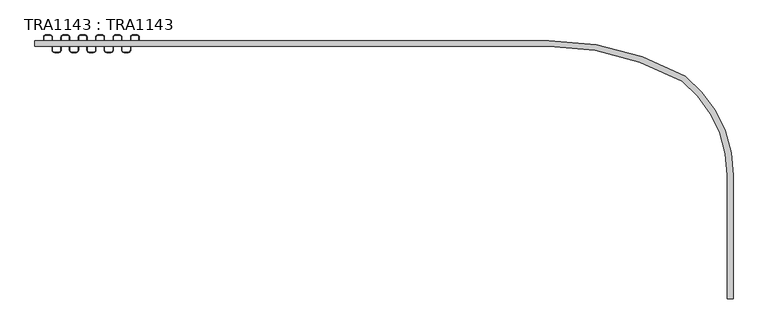
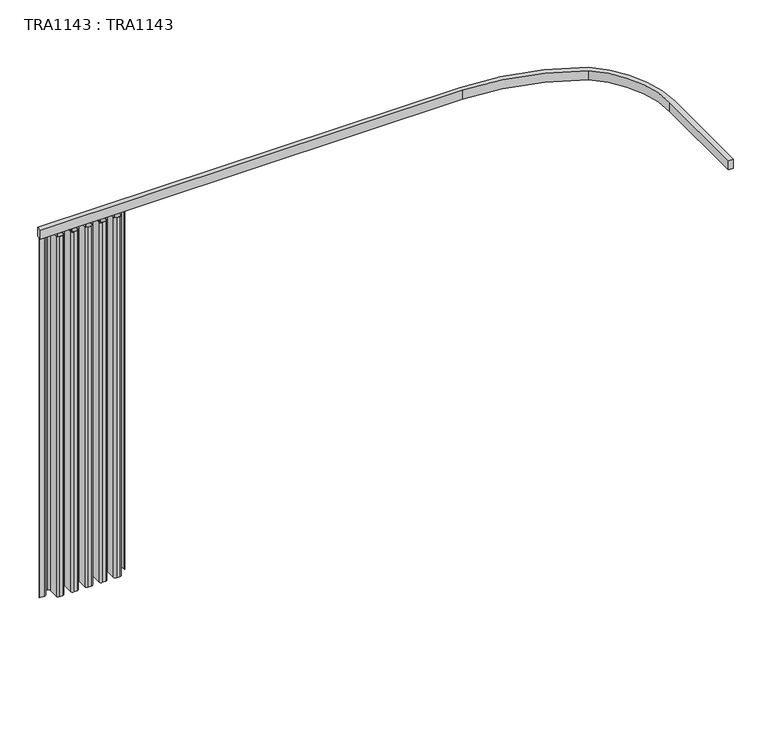
"""IFC4 building model written with IfcOpenShell, lengths in millimetres: proxy geometry, TRA1143 : TRA1143."""

from ifc_helpers import new_model, si_unit, point, frame, frame_2d, origin, place, context, project, spatial, polyline, circle_curve, trimmed, segment, composite_curve, outline, extrude, source, transform, mapped, element, save


def tra1143_tra1143_a0fe28ab(model_context):
    return source(origin(), model_context, "Body", "SweptSolid", [
        extrude(outline(composite_curve([segment(trimmed(circle_curve(frame_2d((27.5, 10.0)), 10.0), [point((27.5, 0.0))], [point((37.5, 10.0))], True, "CARTESIAN"), True, "CONTINUOUS"), segment(polyline([(37.5, 10.0), (37.5, 27.5)]), True, "CONTINUOUS"), segment(trimmed(circle_curve(frame_2d((47.5, 27.5)), 10.0), [point((37.5, 27.5))], [point((47.5, 37.5))], False, "CARTESIAN"), True, "CONTINUOUS"), segment(polyline([(47.5, 37.5), (65.0, 37.5)]), True, "CONTINUOUS"), segment(trimmed(circle_curve(frame_2d((65.0, 27.5)), 10.0), [point((65.0, 37.5))], [point((75.0, 27.5))], False, "CARTESIAN"), True, "CONTINUOUS"), segment(polyline([(75.0, 27.5), (75.0, -27.5)]), True, "CONTINUOUS"), segment(trimmed(circle_curve(frame_2d((85.0, -27.5)), 10.0), [point((75.0, -27.5))], [point((85.0, -37.5))], True, "CARTESIAN"), True, "CONTINUOUS"), segment(polyline([(85.0, -37.5), (102.5, -37.5)]), True, "CONTINUOUS"), segment(trimmed(circle_curve(frame_2d((102.5, -27.5)), 10.0), [point((102.5, -37.5))], [point((112.5, -27.5))], True, "CARTESIAN"), True, "CONTINUOUS"), segment(polyline([(112.5, -27.5), (112.5, 27.5)]), True, "CONTINUOUS"), segment(trimmed(circle_curve(frame_2d((122.5, 27.5)), 10.0), [point((112.5, 27.5))], [point((122.5, 37.5))], False, "CARTESIAN"), True, "CONTINUOUS"), segment(polyline([(122.5, 37.5), (140.0, 37.5)]), True, "CONTINUOUS"), segment(trimmed(circle_curve(frame_2d((140.0, 27.5)), 10.0), [point((140.0, 37.5))], [point((150.0, 27.5))], False, "CARTESIAN"), True, "CONTINUOUS"), segment(polyline([(150.0, 27.5), (150.0, -27.5)]), True, "CONTINUOUS"), segment(trimmed(circle_curve(frame_2d((160.0, -27.5)), 10.0), [point((150.0, -27.5))], [point((160.0, -37.5))], True, "CARTESIAN"), True, "CONTINUOUS"), segment(polyline([(160.0, -37.5), (177.5, -37.5)]), True, "CONTINUOUS"), segment(trimmed(circle_curve(frame_2d((177.5, -27.5)), 10.0), [point((177.5, -37.5))], [point((187.5, -27.5))], True, "CARTESIAN"), True, "CONTINUOUS"), segment(polyline([(187.5, -27.5), (187.5, 27.5)]), True, "CONTINUOUS"), segment(trimmed(circle_curve(frame_2d((197.5, 27.5)), 10.0), [point((187.5, 27.5))], [point((197.5, 37.5))], False, "CARTESIAN"), True, "CONTINUOUS"), segment(polyline([(197.5, 37.5), (215.0, 37.5)]), True, "CONTINUOUS"), segment(trimmed(circle_curve(frame_2d((215.0, 27.5)), 10.0), [point((215.0, 37.5))], [point((225.0, 27.5))], False, "CARTESIAN"), True, "CONTINUOUS"), segment(polyline([(225.0, 27.5), (225.0, -27.5)]), True, "CONTINUOUS"), segment(trimmed(circle_curve(frame_2d((235.0, -27.5)), 10.0), [point((225.0, -27.5))], [point((235.0, -37.5))], True, "CARTESIAN"), True, "CONTINUOUS"), segment(polyline([(235.0, -37.5), (252.5, -37.5)]), True, "CONTINUOUS"), segment(trimmed(circle_curve(frame_2d((252.5, -27.5)), 10.0), [point((252.5, -37.5))], [point((262.5, -27.5))], True, "CARTESIAN"), True, "CONTINUOUS"), segment(polyline([(262.5, -27.5), (262.5, 27.5)]), True, "CONTINUOUS"), segment(trimmed(circle_curve(frame_2d((272.5, 27.5)), 10.0), [point((262.5, 27.5))], [point((272.5, 37.5))], False, "CARTESIAN"), True, "CONTINUOUS"), segment(polyline([(272.5, 37.5), (290.0, 37.5)]), True, "CONTINUOUS"), segment(trimmed(circle_curve(frame_2d((290.0, 27.5)), 10.0), [point((290.0, 37.5))], [point((300.0, 27.5))], False, "CARTESIAN"), True, "CONTINUOUS"), segment(polyline([(300.0, 27.5), (300.0, -27.5)]), True, "CONTINUOUS"), segment(trimmed(circle_curve(frame_2d((310.0, -27.5)), 10.0), [point((300.0, -27.5))], [point((310.0, -37.5))], True, "CARTESIAN"), True, "CONTINUOUS"), segment(polyline([(310.0, -37.5), (327.5, -37.5)]), True, "CONTINUOUS"), segment(trimmed(circle_curve(frame_2d((327.5, -27.5)), 10.0), [point((327.5, -37.5))], [point((337.5, -27.5))], True, "CARTESIAN"), True, "CONTINUOUS"), segment(polyline([(337.5, -27.5), (337.5, 27.5)]), True, "CONTINUOUS"), segment(trimmed(circle_curve(frame_2d((347.5, 27.5)), 10.0), [point((337.5, 27.5))], [point((347.5, 37.5))], False, "CARTESIAN"), True, "CONTINUOUS"), segment(polyline([(347.5, 37.5), (365.0, 37.5)]), True, "CONTINUOUS"), segment(trimmed(circle_curve(frame_2d((365.0, 27.5)), 10.0), [point((365.0, 37.5))], [point((375.0, 27.5))], False, "CARTESIAN"), True, "CONTINUOUS"), segment(polyline([(375.0, 27.5), (375.0, -27.5)]), True, "CONTINUOUS"), segment(trimmed(circle_curve(frame_2d((385.0, -27.5)), 10.0), [point((375.0, -27.5))], [point((385.0, -37.5))], True, "CARTESIAN"), True, "CONTINUOUS"), segment(polyline([(385.0, -37.5), (402.5, -37.5)]), True, "CONTINUOUS"), segment(trimmed(circle_curve(frame_2d((402.5, -27.5)), 10.0), [point((402.5, -37.5))], [point((412.5, -27.5))], True, "CARTESIAN"), True, "CONTINUOUS"), segment(polyline([(412.5, -27.5), (412.5, 27.5)]), True, "CONTINUOUS"), segment(trimmed(circle_curve(frame_2d((422.5, 27.5)), 10.0), [point((412.5, 27.5))], [point((422.5, 37.5))], False, "CARTESIAN"), True, "CONTINUOUS"), segment(polyline([(422.5, 37.5), (440.0, 37.5)]), True, "CONTINUOUS"), segment(trimmed(circle_curve(frame_2d((440.0, 27.5)), 10.0), [point((440.0, 37.5))], [point((450.0, 27.5))], False, "CARTESIAN"), True, "CONTINUOUS"), segment(polyline([(450.0, 27.5), (450.0, 0.0), (449.0, 0.0), (449.0, 27.5)]), True, "CONTINUOUS"), segment(trimmed(circle_curve(frame_2d((440.0, 27.5)), 9.0), [point((449.0, 27.5))], [point((440.0, 36.5))], True, "CARTESIAN"), True, "CONTINUOUS"), segment(polyline([(440.0, 36.5), (422.5, 36.5)]), True, "CONTINUOUS"), segment(trimmed(circle_curve(frame_2d((422.5, 27.5)), 9.0), [point((422.5, 36.5))], [point((413.5, 27.5))], True, "CARTESIAN"), True, "CONTINUOUS"), segment(polyline([(413.5, 27.5), (413.5, -27.5)]), True, "CONTINUOUS"), segment(trimmed(circle_curve(frame_2d((402.5, -27.5)), 11.0), [point((413.5, -27.5))], [point((402.5, -38.5))], False, "CARTESIAN"), True, "CONTINUOUS"), segment(polyline([(402.5, -38.5), (385.0, -38.5)]), True, "CONTINUOUS"), segment(trimmed(circle_curve(frame_2d((385.0, -27.5)), 11.0), [point((385.0, -38.5))], [point((374.0, -27.5))], False, "CARTESIAN"), True, "CONTINUOUS"), segment(polyline([(374.0, -27.5), (374.0, 27.5)]), True, "CONTINUOUS"), segment(trimmed(circle_curve(frame_2d((365.0, 27.5)), 9.0), [point((374.0, 27.5))], [point((365.0, 36.5))], True, "CARTESIAN"), True, "CONTINUOUS"), segment(polyline([(365.0, 36.5), (347.5, 36.5)]), True, "CONTINUOUS"), segment(trimmed(circle_curve(frame_2d((347.5, 27.5)), 9.0), [point((347.5, 36.5))], [point((338.5, 27.5))], True, "CARTESIAN"), True, "CONTINUOUS"), segment(polyline([(338.5, 27.5), (338.5, -27.5)]), True, "CONTINUOUS"), segment(trimmed(circle_curve(frame_2d((327.5, -27.5)), 11.0), [point((338.5, -27.5))], [point((327.5, -38.5))], False, "CARTESIAN"), True, "CONTINUOUS"), segment(polyline([(327.5, -38.5), (310.0, -38.5)]), True, "CONTINUOUS"), segment(trimmed(circle_curve(frame_2d((310.0, -27.5)), 11.0), [point((310.0, -38.5))], [point((299.0, -27.5))], False, "CARTESIAN"), True, "CONTINUOUS"), segment(polyline([(299.0, -27.5), (299.0, 27.5)]), True, "CONTINUOUS"), segment(trimmed(circle_curve(frame_2d((290.0, 27.5)), 9.0), [point((299.0, 27.5))], [point((290.0, 36.5))], True, "CARTESIAN"), True, "CONTINUOUS"), segment(polyline([(290.0, 36.5), (272.5, 36.5)]), True, "CONTINUOUS"), segment(trimmed(circle_curve(frame_2d((272.5, 27.5)), 9.0), [point((272.5, 36.5))], [point((263.5, 27.5))], True, "CARTESIAN"), True, "CONTINUOUS"), segment(polyline([(263.5, 27.5), (263.5, -27.5)]), True, "CONTINUOUS"), segment(trimmed(circle_curve(frame_2d((252.5, -27.5)), 11.0), [point((263.5, -27.5))], [point((252.5, -38.5))], False, "CARTESIAN"), True, "CONTINUOUS"), segment(polyline([(252.5, -38.5), (235.0, -38.5)]), True, "CONTINUOUS"), segment(trimmed(circle_curve(frame_2d((235.0, -27.5)), 11.0), [point((235.0, -38.5))], [point((224.0, -27.5))], False, "CARTESIAN"), True, "CONTINUOUS"), segment(polyline([(224.0, -27.5), (224.0, 27.5)]), True, "CONTINUOUS"), segment(trimmed(circle_curve(frame_2d((215.0, 27.5)), 9.0), [point((224.0, 27.5))], [point((215.0, 36.5))], True, "CARTESIAN"), True, "CONTINUOUS"), segment(polyline([(215.0, 36.5), (197.5, 36.5)]), True, "CONTINUOUS"), segment(trimmed(circle_curve(frame_2d((197.5, 27.5)), 9.0), [point((197.5, 36.5))], [point((188.5, 27.5))], True, "CARTESIAN"), True, "CONTINUOUS"), segment(polyline([(188.5, 27.5), (188.5, -27.5)]), True, "CONTINUOUS"), segment(trimmed(circle_curve(frame_2d((177.5, -27.5)), 11.0), [point((188.5, -27.5))], [point((177.5, -38.5))], False, "CARTESIAN"), True, "CONTINUOUS"), segment(polyline([(177.5, -38.5), (160.0, -38.5)]), True, "CONTINUOUS"), segment(trimmed(circle_curve(frame_2d((160.0, -27.5)), 11.0), [point((160.0, -38.5))], [point((149.0, -27.5))], False, "CARTESIAN"), True, "CONTINUOUS"), segment(polyline([(149.0, -27.5), (149.0, 27.5)]), True, "CONTINUOUS"), segment(trimmed(circle_curve(frame_2d((140.0, 27.5)), 9.0), [point((149.0, 27.5))], [point((140.0, 36.5))], True, "CARTESIAN"), True, "CONTINUOUS"), segment(polyline([(140.0, 36.5), (122.5, 36.5)]), True, "CONTINUOUS"), segment(trimmed(circle_curve(frame_2d((122.5, 27.5)), 9.0), [point((122.5, 36.5))], [point((113.5, 27.5))], True, "CARTESIAN"), True, "CONTINUOUS"), segment(polyline([(113.5, 27.5), (113.5, -27.5)]), True, "CONTINUOUS"), segment(trimmed(circle_curve(frame_2d((102.5, -27.5)), 11.0), [point((113.5, -27.5))], [point((102.5, -38.5))], False, "CARTESIAN"), True, "CONTINUOUS"), segment(polyline([(102.5, -38.5), (85.0, -38.5)]), True, "CONTINUOUS"), segment(trimmed(circle_curve(frame_2d((85.0, -27.5)), 11.0), [point((85.0, -38.5))], [point((74.0, -27.5))], False, "CARTESIAN"), True, "CONTINUOUS"), segment(polyline([(74.0, -27.5), (74.0, 27.5)]), True, "CONTINUOUS"), segment(trimmed(circle_curve(frame_2d((65.0, 27.5)), 9.0), [point((74.0, 27.5))], [point((65.0, 36.5))], True, "CARTESIAN"), True, "CONTINUOUS"), segment(polyline([(65.0, 36.5), (47.5, 36.5)]), True, "CONTINUOUS"), segment(trimmed(circle_curve(frame_2d((47.5, 27.5)), 9.0), [point((47.5, 36.5))], [point((38.5, 27.5))], True, "CARTESIAN"), True, "CONTINUOUS"), segment(polyline([(38.5, 27.5), (38.5, 10.0)]), True, "CONTINUOUS"), segment(trimmed(circle_curve(frame_2d((27.5, 10.0)), 11.0), [point((38.5, 10.0))], [point((27.5, -1.0))], False, "CARTESIAN"), True, "CONTINUOUS"), segment(polyline([(27.5, -1.0), (0.0, -1.0), (0.0, 0.0), (27.5, 0.0)]), True, "CONTINUOUS")], self_intersect=False)), frame((0.0, 0.0, -2050.0), z_axis=(0.0, 0.0, 1.0), x_axis=(1.0, 0.0, 0.0)), (0.0, 0.0, 1.0), 1999.9999996),
        extrude(outline(composite_curve([segment(trimmed(circle_curve(frame_2d((2217.5, -1191.1704197)), 1203.6704196), [point((2217.5, 12.4999999))], [point((2806.7495553, -141.595534))], False, "CARTESIAN"), True, "CONTINUOUS"), segment(trimmed(circle_curve(frame_2d((2468.8125732, -567.5000001)), 543.6874268), [point((2806.7495553, -141.595534))], [point((3012.5, -567.5000001))], False, "CARTESIAN"), True, "CONTINUOUS"), segment(polyline([(3012.5, -567.5000001), (3012.5, -1100.0), (2987.5, -1100.0), (2987.5, -567.5000001)]), True, "CONTINUOUS"), segment(trimmed(circle_curve(frame_2d((2468.8125732, -567.5000001)), 518.6874268), [point((2987.5, -567.5000001))], [point((2792.7599842, -162.4139331))], True, "CARTESIAN"), True, "CONTINUOUS"), segment(trimmed(circle_curve(frame_2d((2217.5, -1191.1704197)), 1178.6704196), [point((2792.7599842, -162.4139331))], [point((2217.5, -12.5000001))], True, "CARTESIAN"), True, "CONTINUOUS"), segment(polyline([(2217.5, -12.5000001), (0.0, -12.5000001), (0.0, 12.5000001), (2217.5, 12.4999999)]), True, "CONTINUOUS")], self_intersect=False)), frame((0.0, 0.0, -50.0000004), z_axis=(0.0, 0.0, 1.0), x_axis=(1.0, 0.0, 0.0)), (0.0, 0.0, 1.0), 50.0000004),
    ])


if __name__ == "__main__":
    model = new_model("IFC4")
    model_context = context("Model", 3, world=origin())
    ifc_project = project(units=[si_unit("LENGTHUNIT", "METRE", prefix="MILLI")], contexts=[model_context])
    site = spatial("IfcSite", under=ifc_project)
    building = spatial("IfcBuilding", under=site)
    placement = place(None, origin())
    tra1143_tra1143_shape = tra1143_tra1143_a0fe28ab(model_context)
    element("IfcBuildingElementProxy", 1, Name="TRA1143 : TRA1143", ObjectType="TRA1143 : TRA1143", at=placement, inside=building, context=model_context, shape_type="MappedRepresentation", body=[
        mapped(tra1143_tra1143_shape, transform((0.0, 0.0, 0.0), x_axis=(1.0, 0.0, 0.0), y_axis=(0.0, 1.0, 0.0), z_axis=(0.0, 0.0, 1.0))),
    ])
    save(model, "model.ifc")
